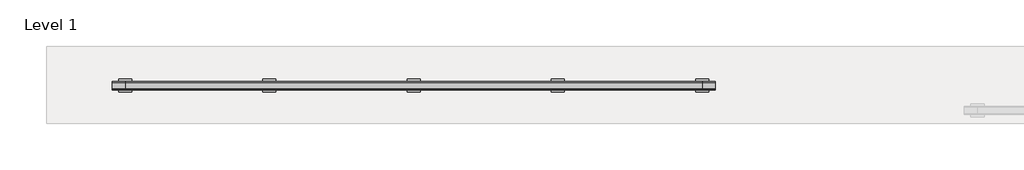
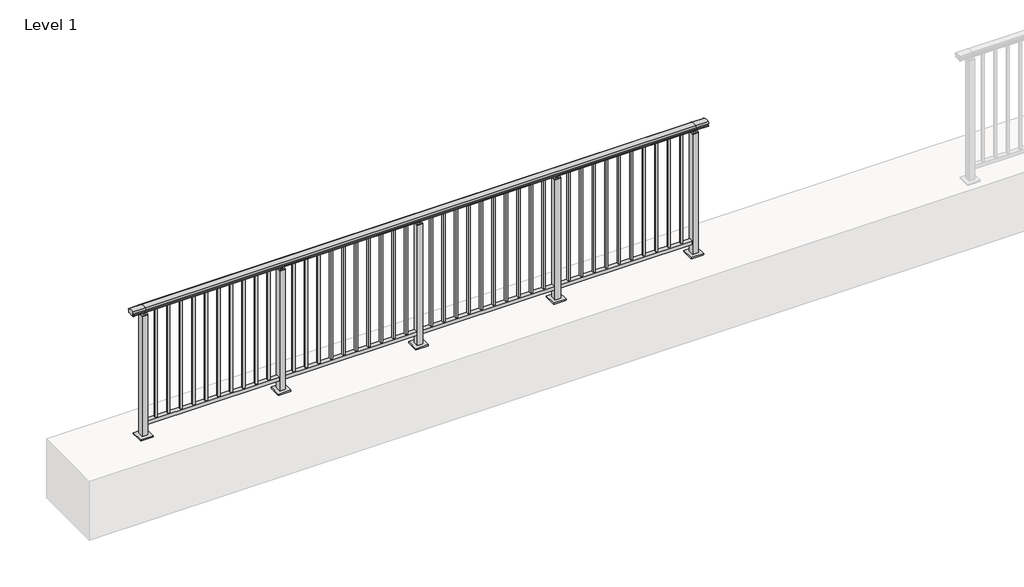
# One storey, part 25 of 64: 1 railing.
"""IFC4 building model written with IfcOpenShell, lengths in millimetres."""

import ifcopenshell
import ifcopenshell.guid

model = None  # the IFC model being written
_history = None  # IfcOwnerHistory: only IFC2X3 demands one
_inside = {}  # id of a spatial element -> (the spatial element, [elements in it])
_under = {}  # id of a project, library or spatial element -> (it, [spatial elements below it])
_declared = {}  # id of a project -> (the project, [libraries it declares])
_typed = {}  # id of a type object -> (the type object, [elements of that type])
_made_of = {}  # id of a material, layer set ... -> (it, [elements and type objects made of it])


def new_model(schema):
    """Start an empty IFC model of exactly this schema.

    Asked for "IFC4X3", IfcOpenShell would pick the latest addendum, in which some entities
    have other attributes; the version numbers below select the first issue.
    IFC2X3 requires an IfcOwnerHistory on every rooted entity: one is made here for all.
    """
    global model, _history
    if schema == "IFC4X3":
        model = ifcopenshell.file(schema_version=(4, 3, 0, 0))
    else:
        model = ifcopenshell.file(schema=schema)
    _inside.clear()
    _under.clear()
    _declared.clear()
    _typed.clear()
    _made_of.clear()
    _history = None
    if model.schema == "IFC2X3":
        org = make("IfcOrganization", Name="unknown")
        user = make(
            "IfcPersonAndOrganization",
            ThePerson=make("IfcPerson", FamilyName="unknown"),
            TheOrganization=org,
        )
        app = make(
            "IfcApplication",
            ApplicationDeveloper=org,
            Version="unknown",
            ApplicationFullName="unknown",
            ApplicationIdentifier="unknown",
        )
        _history = make(
            "IfcOwnerHistory",
            OwningUser=user,
            OwningApplication=app,
            ChangeAction="ADDED",
            CreationDate=0,
        )
    return model


def make(cls, **values):
    """One entity of the class cls with the attributes given. An attribute that is None is left unset."""
    return model.create_entity(
        cls, **{name: value for name, value in values.items() if value is not None}
    )


def rooted(cls, **values):
    """An entity with a GlobalId (a new one), such as an element, a storey or a relation."""
    return make(cls, GlobalId=ifcopenshell.guid.new(), OwnerHistory=_history, **values)


def si_unit(unit_type, name, prefix=None):
    """IfcSIUnit, for example si_unit("LENGTHUNIT", "METRE", prefix="MILLI")."""
    return make("IfcSIUnit", UnitType=unit_type, Prefix=prefix, Name=name)


def assignment(units):
    """IfcUnitAssignment: the units of a project."""
    return None if units is None else make("IfcUnitAssignment", Units=units)


def point(xyz):
    """IfcCartesianPoint."""
    return None if xyz is None else make("IfcCartesianPoint", Coordinates=xyz)


def direction(xyz):
    """IfcDirection."""
    return None if xyz is None else make("IfcDirection", DirectionRatios=xyz)


def frame(location, z_axis=None, x_axis=None):
    """IfcAxis2Placement3D, a coordinate frame: its origin and axes. An axis left out is left unset."""
    return make(
        "IfcAxis2Placement3D",
        Location=point(location),
        Axis=direction(z_axis),
        RefDirection=direction(x_axis),
    )


def origin():
    """The frame at (0, 0, 0) with its axes left unset."""
    return frame((0.0, 0.0, 0.0))


def origin_with_axes():
    """The frame at (0, 0, 0) with the z axis (0, 0, 1) and the x axis (1, 0, 0) written out."""
    return frame((0.0, 0.0, 0.0), z_axis=(0.0, 0.0, 1.0), x_axis=(1.0, 0.0, 0.0))


def place(relative_to, where):
    """IfcLocalPlacement: puts the frame where relative to a parent placement (None: the world)."""
    return make(
        "IfcLocalPlacement", PlacementRelTo=relative_to, RelativePlacement=where
    )


def context(
    kind, dimensions, precision=None, world=None, true_north=None, identifier=None
):
    """IfcGeometricRepresentationContext, for example the 3D "Model" context."""
    return make(
        "IfcGeometricRepresentationContext",
        ContextIdentifier=identifier,
        ContextType=kind,
        CoordinateSpaceDimension=dimensions,
        Precision=precision,
        WorldCoordinateSystem=world,
        TrueNorth=true_north,
    )


def project(units=None, contexts=None):
    """IfcProject with its units and contexts."""
    return rooted(
        "IfcProject",
        Name="project",
        RepresentationContexts=contexts,
        UnitsInContext=assignment(units),
    )


def spatial(cls, under=None, at=None, **own):
    """A site, building, storey or space (cls), placed at a placement, below another one or the project."""
    s = rooted(cls, ObjectPlacement=at, **own)
    if under is not None:
        _under.setdefault(under.id(), (under, []))[1].append(s)
    return s


def polyline(points):
    """IfcPolyline through the points."""
    return make("IfcPolyline", Points=[point(p) for p in points])


def circle_curve(where, radius):
    """IfcCircle in the frame where."""
    return make("IfcCircle", Position=where, Radius=radius)


def outline(outer, holes=None, kind="AREA"):
    """IfcArbitraryClosedProfileDef: a profile drawn as a closed curve; with holes, ...WithVoids."""
    if holes is None:
        return make("IfcArbitraryClosedProfileDef", ProfileType=kind, OuterCurve=outer)
    return make(
        "IfcArbitraryProfileDefWithVoids",
        ProfileType=kind,
        OuterCurve=outer,
        InnerCurves=holes,
    )


def extrude(swept, where, along, depth):
    """IfcExtrudedAreaSolid: the profile swept, set in the frame where, extruded along a direction by depth."""
    return make(
        "IfcExtrudedAreaSolid",
        SweptArea=swept,
        Position=where,
        ExtrudedDirection=direction(along),
        Depth=depth,
    )


def shape(context_of_items, identifier, shape_type, items):
    """IfcShapeRepresentation: the items that make up one representation, for example the "Body"."""
    return make(
        "IfcShapeRepresentation",
        ContextOfItems=context_of_items,
        RepresentationIdentifier=identifier,
        RepresentationType=shape_type,
        Items=items,
    )


def made_of(thing, what):
    """Note that an element or type object is made of a material, layer set ...; save() writes the relation."""
    if what is not None:
        _made_of.setdefault(what.id(), (what, []))[1].append(thing)
    return thing


def element(
    cls,
    number,
    at=None,
    inside=None,
    cuts=None,
    type_object=None,
    material=None,
    context=None,
    identifier="Body",
    shape_type=None,
    held_by="IfcProductDefinitionShape",
    body=None,
    shapes=None,
    **own,
):
    """One element of the class cls, such as IfcWall. Its Tag is "e" and its number.

    at: its placement. inside: the storey or other place that contains it. cuts: it is an
    opening in that element (IfcRelVoidsElement). A single representation is given by context,
    identifier, shape_type and body (its items); several are given by shapes. held_by: the class
    of the entity that holds the representations. save() writes the other relations.
    """
    e = rooted(cls, Tag="e%d" % number, ObjectPlacement=at, **own)
    if body is not None:
        shapes = [shape(context, identifier, shape_type, body)]
    if shapes is not None:
        e.Representation = make(held_by, Representations=shapes)
    if inside is not None:
        _inside.setdefault(inside.id(), (inside, []))[1].append(e)
    if cuts is not None:
        rooted(
            "IfcRelVoidsElement", RelatingBuildingElement=cuts, RelatedOpeningElement=e
        )
    if type_object is not None:
        _typed.setdefault(type_object.id(), (type_object, []))[1].append(e)
    return made_of(e, material)


def aggregate(whole, parts):
    """IfcRelAggregates: a whole, such as a stair, and the parts it consists of."""
    return rooted("IfcRelAggregates", RelatingObject=whole, RelatedObjects=parts)


def save(model, path):
    """Write the relations noted so far, then the file.

    IfcRelAggregates (storeys below a building ...), IfcRelContainedInSpatialStructure (elements
    in a storey), IfcRelDefinesByType, IfcRelAssociatesMaterial and IfcRelDeclares: one each for
    every whole, place, type object, material and project.
    """
    for whole, parts in _under.values():
        aggregate(whole, parts)
    for where, things in _inside.values():
        rooted(
            "IfcRelContainedInSpatialStructure",
            RelatedElements=things,
            RelatingStructure=where,
        )
    for kind, things in _typed.values():
        rooted("IfcRelDefinesByType", RelatedObjects=things, RelatingType=kind)
    for what, things in _made_of.values():
        rooted("IfcRelAssociatesMaterial", RelatedObjects=things, RelatingMaterial=what)
    for by, libraries in _declared.values():
        rooted("IfcRelDeclares", RelatingContext=by, RelatedDefinitions=libraries)
    model.write(path)


def plane_surface(at):
    """IfcPlane: the flat surface through the origin of the frame at, square to its z axis."""
    return make("IfcPlane", Position=at)


def cylinder_surface(at, radius):
    """IfcCylindricalSurface: all points at the distance radius from the z axis of the frame at."""
    return make("IfcCylindricalSurface", Position=at, Radius=radius)


def revolved_surface(curve, axis_point, axis_direction):
    """IfcSurfaceOfRevolution: the curve turned about the line through axis_point along axis_direction."""
    return make(
        "IfcSurfaceOfRevolution",
        SweptCurve=make("IfcArbitraryOpenProfileDef", ProfileType="CURVE", Curve=curve),
        AxisPosition=make("IfcAxis1Placement", Location=point(axis_point), Axis=direction(axis_direction)),
    )


def advanced_brep(points, edges, surfaces, faces):
    """IfcAdvancedBrep: a solid bounded by faces that lie on surfaces and meet in shared edges.

    An edge is (start, end): straight between two places in points (the first is 0);
    or (start, end, curve); or (start, end, curve, False) where it runs against its curve.
    A face is (place in surfaces, loops), or (place, loops, False) where it looks against
    its surface's normal. A loop lists edges by number (the first is 1), with a minus sign
    where the edge is run from its end to its start. The first loop is the outer one.
    """
    corners = [point(p) for p in points]
    vertices = [make("IfcVertexPoint", VertexGeometry=c) for c in corners]
    made = []
    for start, end, *more in edges:
        made.append(
            make(
                "IfcEdgeCurve",
                EdgeStart=vertices[start],
                EdgeEnd=vertices[end],
                EdgeGeometry=more[0] if more else make("IfcPolyline", Points=[corners[start], corners[end]]),
                SameSense=more[1] if len(more) > 1 else True,
            )
        )
    hull = []
    for where, loops, *sense in faces:
        bounds = []
        for j, loop in enumerate(loops):
            ring = [make("IfcOrientedEdge", EdgeElement=made[abs(k) - 1], Orientation=k > 0) for k in loop]
            bounds.append(
                make(
                    "IfcFaceOuterBound" if j == 0 else "IfcFaceBound",
                    Bound=make("IfcEdgeLoop", EdgeList=ring),
                    Orientation=True,
                )
            )
        hull.append(make("IfcAdvancedFace", Bounds=bounds, FaceSurface=surfaces[where], SameSense=sense[0] if sense else True))
    return make("IfcAdvancedBrep", Outer=make("IfcClosedShell", CfsFaces=hull))


model = new_model("IFC4")

# Units and contexts
model_context = context("Model", 3, world=origin())
ifc_project = project(units=[si_unit("LENGTHUNIT", "METRE", prefix="MILLI")], contexts=[model_context])

# Site, building, storey
site = spatial("IfcSite", under=ifc_project)
building = spatial("IfcBuilding", under=site)
storey = spatial("IfcBuildingStorey", under=building, Name="Level 1", Elevation=0.0)

# Railing
placement = place(None, origin())
element("IfcRailing", 1, at=placement, inside=storey, context=model_context, shape_type="SolidModel", body=[
    advanced_brep(
    [(-100.0, 20215.3633756, 1095.6691182), (-100.0, 20220.1846828, 1081.1334092), (-100.0, 20219.2413744, 1069.2539035), (-100.0, 20221.1364177, 1061.4863007), (-100.0, 20219.4894799, 1060.384124), (-100.0, 20219.4894799, 1062.0), (-100.0, 20160.8798858, 1062.0), (-100.0, 20160.8798858, 1060.384124), (-100.0, 20159.232948, 1061.4863007), (-100.0, 20161.1279912, 1069.2539035), (-100.0, 20160.1846828, 1081.1334092), (-100.0, 20165.00599, 1095.6691182), (4500.0, 20215.3633756, 1095.6691182), (4500.0, 20165.00599, 1095.6691182), (4500.0, 20160.1846828, 1081.1334092), (4500.0, 20161.1279912, 1069.2539035), (4500.0, 20159.232948, 1061.4863007), (4500.0, 20160.8798858, 1060.384124), (4500.0, 20160.8798858, 1062.0), (4500.0, 20219.4894799, 1062.0), (4500.0, 20219.4894799, 1060.384124), (4500.0, 20221.1364177, 1061.4863007), (4500.0, 20219.2413744, 1069.2539035), (4500.0, 20220.1846828, 1081.1334092), (0.0, 20215.3633756, 1095.6691182), (0.0, 20220.1846828, 1081.1334092), (0.0, 20219.2413744, 1069.2539035), (0.0, 20221.1364177, 1061.4863007), (0.0, 20219.4894799, 1060.384124), (0.0, 20219.4894799, 1062.0), (0.0, 20160.8798858, 1062.0), (0.0, 20160.8798858, 1060.384124), (0.0, 20159.232948, 1061.4863007), (0.0, 20161.1279912, 1069.2539035), (0.0, 20160.1846828, 1081.1334092), (0.0, 20165.00599, 1095.6691182), (4400.0, 20215.3633756, 1095.6691182), (4400.0, 20220.1846828, 1081.1334092), (4400.0, 20219.2413744, 1069.2539035), (4400.0, 20221.1364177, 1061.4863007), (4400.0, 20219.4894799, 1060.384124), (4400.0, 20219.4894799, 1062.0), (4400.0, 20160.8798858, 1062.0), (4400.0, 20160.8798858, 1060.384124), (4400.0, 20159.232948, 1061.4863007), (4400.0, 20161.1279912, 1069.2539035), (4400.0, 20160.1846828, 1081.1334092), (4400.0, 20165.00599, 1095.6691182)],
    [
        (0, 1, circle_curve(frame((-100.0, 20212.1223845, 1086.526686), z_axis=(-1.0, 0.0, 0.0), x_axis=(0.0, -1.0, 0.0)), 9.6999015)),
        (1, 2, circle_curve(frame((-100.0, 20237.7252545, 1073.7633709), z_axis=(1.0, 0.0, 0.0), x_axis=(0.0, -1.0, 0.0)), 19.0260117)),
        (2, 3),
        (3, 4, circle_curve(frame((-100.0, 20220.2772073, 1060.9886194), z_axis=(-1.0, 0.0, 0.0), x_axis=(0.0, -1.0, 0.0)), 0.9929396)),
        (4, 5),
        (5, 6),
        (6, 7),
        (7, 8, circle_curve(frame((-100.0, 20160.0921584, 1060.9886194), z_axis=(-1.0, 0.0, 0.0), x_axis=(0.0, 1.0, 0.0)), 0.9929396)),
        (8, 9),
        (9, 10, circle_curve(frame((-100.0, 20142.6441111, 1073.7633709), z_axis=(1.0, 0.0, 0.0), x_axis=(0.0, 1.0, 0.0)), 19.0260117)),
        (10, 11, circle_curve(frame((-100.0, 20168.2469812, 1086.526686), z_axis=(-1.0, 0.0, 0.0), x_axis=(0.0, 1.0, 0.0)), 9.6999015)),
        (11, 0, circle_curve(frame((-100.0, 20190.1846828, 1024.6431628), z_axis=(-1.0, 0.0, 0.0), x_axis=(0.0, 1.0, 0.0)), 75.3568372)),
        (12, 13, circle_curve(frame((4500.0, 20190.1846828, 1024.6431628), z_axis=(1.0, 0.0, 0.0), x_axis=(0.0, 1.0, 0.0)), 75.3568372)),
        (13, 14, circle_curve(frame((4500.0, 20168.2469812, 1086.526686), z_axis=(1.0, 0.0, 0.0), x_axis=(0.0, 1.0, 0.0)), 9.6999015)),
        (14, 15, circle_curve(frame((4500.0, 20142.6441111, 1073.7633709), z_axis=(-1.0, 0.0, 0.0), x_axis=(0.0, 1.0, 0.0)), 19.0260117)),
        (15, 16),
        (16, 17, circle_curve(frame((4500.0, 20160.0921584, 1060.9886194), z_axis=(1.0, 0.0, 0.0), x_axis=(0.0, 1.0, 0.0)), 0.9929396)),
        (17, 18),
        (18, 19),
        (19, 20),
        (20, 21, circle_curve(frame((4500.0, 20220.2772073, 1060.9886194), z_axis=(1.0, 0.0, 0.0), x_axis=(0.0, -1.0, 0.0)), 0.9929396)),
        (21, 22),
        (22, 23, circle_curve(frame((4500.0, 20237.7252545, 1073.7633709), z_axis=(-1.0, 0.0, 0.0), x_axis=(0.0, -1.0, 0.0)), 19.0260117)),
        (23, 12, circle_curve(frame((4500.0, 20212.1223845, 1086.526686), z_axis=(1.0, 0.0, 0.0), x_axis=(0.0, -1.0, 0.0)), 9.6999015)),
        (0, 24),
        (24, 25, circle_curve(frame((0.0, 20212.1223845, 1086.526686), z_axis=(-1.0, 0.0, 0.0), x_axis=(0.0, -1.0, 0.0)), 9.6999015)),
        (25, 1),
        (25, 26, circle_curve(frame((0.0, 20237.7252545, 1073.7633709), z_axis=(1.0, 0.0, 0.0), x_axis=(0.0, -1.0, 0.0)), 19.0260117)),
        (26, 2),
        (26, 27),
        (27, 3),
        (27, 28, circle_curve(frame((0.0, 20220.2772073, 1060.9886194), z_axis=(-1.0, 0.0, 0.0), x_axis=(0.0, -1.0, 0.0)), 0.9929396)),
        (28, 4),
        (28, 29),
        (29, 5),
        (29, 30),
        (30, 6),
        (30, 31),
        (31, 7),
        (31, 32, circle_curve(frame((0.0, 20160.0921584, 1060.9886194), z_axis=(-1.0, 0.0, 0.0), x_axis=(0.0, 1.0, 0.0)), 0.9929396)),
        (32, 8),
        (32, 33),
        (33, 9),
        (33, 34, circle_curve(frame((0.0, 20142.6441111, 1073.7633709), z_axis=(1.0, 0.0, 0.0), x_axis=(0.0, 1.0, 0.0)), 19.0260117)),
        (34, 10),
        (34, 35, circle_curve(frame((0.0, 20168.2469812, 1086.526686), z_axis=(-1.0, 0.0, 0.0), x_axis=(0.0, 1.0, 0.0)), 9.6999015)),
        (35, 11),
        (35, 24, circle_curve(frame((0.0, 20190.1846828, 1024.6431628), z_axis=(-1.0, 0.0, 0.0), x_axis=(0.0, 1.0, 0.0)), 75.3568372)),
        (24, 36),
        (36, 37, circle_curve(frame((4400.0, 20212.1223845, 1086.526686), z_axis=(-1.0, 0.0, 0.0), x_axis=(0.0, -1.0, 0.0)), 9.6999015)),
        (37, 25),
        (37, 38, circle_curve(frame((4400.0, 20237.7252545, 1073.7633709), z_axis=(1.0, 0.0, 0.0), x_axis=(0.0, -1.0, 0.0)), 19.0260117)),
        (38, 26),
        (38, 39),
        (39, 27),
        (39, 40, circle_curve(frame((4400.0, 20220.2772073, 1060.9886194), z_axis=(-1.0, 0.0, 0.0), x_axis=(0.0, -1.0, 0.0)), 0.9929396)),
        (40, 28),
        (40, 41),
        (41, 29),
        (41, 42),
        (42, 30),
        (42, 43),
        (43, 31),
        (43, 44, circle_curve(frame((4400.0, 20160.0921584, 1060.9886194), z_axis=(-1.0, 0.0, 0.0), x_axis=(0.0, 1.0, 0.0)), 0.9929396)),
        (44, 32),
        (44, 45),
        (45, 33),
        (45, 46, circle_curve(frame((4400.0, 20142.6441111, 1073.7633709), z_axis=(1.0, 0.0, 0.0), x_axis=(0.0, 1.0, 0.0)), 19.0260117)),
        (46, 34),
        (46, 47, circle_curve(frame((4400.0, 20168.2469812, 1086.526686), z_axis=(-1.0, 0.0, 0.0), x_axis=(0.0, 1.0, 0.0)), 9.6999015)),
        (47, 35),
        (47, 36, circle_curve(frame((4400.0, 20190.1846828, 1024.6431628), z_axis=(-1.0, 0.0, 0.0), x_axis=(0.0, 1.0, 0.0)), 75.3568372)),
        (36, 12),
        (23, 37),
        (22, 38),
        (21, 39),
        (20, 40),
        (19, 41),
        (18, 42),
        (17, 43),
        (16, 44),
        (15, 45),
        (14, 46),
        (13, 47),
    ],
    [
        plane_surface(frame((-100.0, 20190.1846828, 1100.0), z_axis=(-1.0, 0.0, 0.0), x_axis=(0.0, 1.0, 0.0))),
        plane_surface(frame((4500.0, 20190.1846828, 1100.0), z_axis=(1.0, 0.0, 0.0), x_axis=(0.0, 1.0, 0.0))),
        cylinder_surface(frame((-100.0, 20212.1223845, 1086.526686), z_axis=(-1.0, 0.0, 0.0), x_axis=(0.0, -1.0, 0.0)), 9.6999015),
        revolved_surface(polyline([(0.0, 20218.6992428, 1073.7633709), (-100.0, 20218.6992428, 1073.7633709)]), (-100.0, 20237.7252545, 1073.7633709), (1.0, 0.0, 0.0)),
        plane_surface(frame((-100.0, 20219.2413744, 1069.2539035), z_axis=(0.0, 0.9715057689301543, 0.2370159086125439), x_axis=(1.0, 0.0, 0.0))),
        cylinder_surface(frame((-100.0, 20220.2772073, 1060.9886194), z_axis=(-1.0, 0.0, 0.0), x_axis=(0.0, -1.0, 0.0)), 0.9929396),
        plane_surface(frame((-100.0, 20219.4894799, 1060.384124), z_axis=(0.0, -1.0, 0.0), x_axis=(1.0, 0.0, 0.0))),
        plane_surface(frame((-100.0, 20219.4894799, 1062.0), z_axis=(0.0, 0.0, -1.0), x_axis=(1.0, 0.0, 0.0))),
        plane_surface(frame((-100.0, 20160.8798858, 1062.0), z_axis=(0.0, 1.0, 0.0), x_axis=(1.0, 0.0, 0.0))),
        cylinder_surface(frame((-100.0, 20160.0921584, 1060.9886194), z_axis=(-1.0, 0.0, 0.0), x_axis=(0.0, 1.0, 0.0)), 0.9929396),
        plane_surface(frame((-100.0, 20159.232948, 1061.4863007), z_axis=(0.0, -0.9715057689301543, 0.2370159086125439), x_axis=(1.0, 0.0, 0.0))),
        revolved_surface(polyline([(0.0, 20161.6701228, 1073.7633709), (-100.0, 20161.6701228, 1073.7633709)]), (-100.0, 20142.6441111, 1073.7633709), (1.0, 0.0, 0.0)),
        cylinder_surface(frame((-100.0, 20168.2469812, 1086.526686), z_axis=(-1.0, 0.0, 0.0), x_axis=(0.0, 1.0, 0.0)), 9.6999015),
        cylinder_surface(frame((-100.0, 20190.1846828, 1024.6431628), z_axis=(-1.0, 0.0, 0.0), x_axis=(0.0, 1.0, 0.0)), 75.3568372),
        cylinder_surface(frame((0.0, 20212.1223845, 1086.526686), z_axis=(-1.0, 0.0, 0.0), x_axis=(0.0, -1.0, 0.0)), 9.6999015),
        revolved_surface(polyline([(4400.0, 20218.6992428, 1073.7633709), (0.0, 20218.6992428, 1073.7633709)]), (0.0, 20237.7252545, 1073.7633709), (1.0, 0.0, 0.0)),
        plane_surface(frame((0.0, 20219.2413744, 1069.2539035), z_axis=(0.0, 0.9715057689301543, 0.2370159086125439), x_axis=(1.0, 0.0, 0.0))),
        cylinder_surface(frame((0.0, 20220.2772073, 1060.9886194), z_axis=(-1.0, 0.0, 0.0), x_axis=(0.0, -1.0, 0.0)), 0.9929396),
        plane_surface(frame((0.0, 20219.4894799, 1060.384124), z_axis=(0.0, -1.0, 0.0), x_axis=(1.0, 0.0, 0.0))),
        plane_surface(frame((0.0, 20219.4894799, 1062.0), z_axis=(0.0, 0.0, -1.0), x_axis=(1.0, 0.0, 0.0))),
        plane_surface(frame((0.0, 20160.8798858, 1062.0), z_axis=(0.0, 1.0, 0.0), x_axis=(1.0, 0.0, 0.0))),
        cylinder_surface(frame((0.0, 20160.0921584, 1060.9886194), z_axis=(-1.0, 0.0, 0.0), x_axis=(0.0, 1.0, 0.0)), 0.9929396),
        plane_surface(frame((0.0, 20159.232948, 1061.4863007), z_axis=(0.0, -0.9715057689301543, 0.2370159086125439), x_axis=(1.0, 0.0, 0.0))),
        revolved_surface(polyline([(4400.0, 20161.6701228, 1073.7633709), (0.0, 20161.6701228, 1073.7633709)]), (0.0, 20142.6441111, 1073.7633709), (1.0, 0.0, 0.0)),
        cylinder_surface(frame((0.0, 20168.2469812, 1086.526686), z_axis=(-1.0, 0.0, 0.0), x_axis=(0.0, 1.0, 0.0)), 9.6999015),
        cylinder_surface(frame((0.0, 20190.1846828, 1024.6431628), z_axis=(-1.0, 0.0, 0.0), x_axis=(0.0, 1.0, 0.0)), 75.3568372),
        cylinder_surface(frame((4400.0, 20212.1223845, 1086.526686), z_axis=(-1.0, 0.0, 0.0), x_axis=(0.0, -1.0, 0.0)), 9.6999015),
        revolved_surface(polyline([(4500.0, 20218.6992428, 1073.7633709), (4400.0, 20218.6992428, 1073.7633709)]), (4400.0, 20237.7252545, 1073.7633709), (1.0, 0.0, 0.0)),
        plane_surface(frame((4400.0, 20219.2413744, 1069.2539035), z_axis=(0.0, 0.9715057689301543, 0.2370159086125439), x_axis=(1.0, 0.0, 0.0))),
        cylinder_surface(frame((4400.0, 20220.2772073, 1060.9886194), z_axis=(-1.0, 0.0, 0.0), x_axis=(0.0, -1.0, 0.0)), 0.9929396),
        plane_surface(frame((4400.0, 20219.4894799, 1060.384124), z_axis=(0.0, -1.0, 0.0), x_axis=(1.0, 0.0, 0.0))),
        plane_surface(frame((4400.0, 20219.4894799, 1062.0), z_axis=(0.0, 0.0, -1.0), x_axis=(1.0, 0.0, 0.0))),
        plane_surface(frame((4400.0, 20160.8798858, 1062.0), z_axis=(0.0, 1.0, 0.0), x_axis=(1.0, 0.0, 0.0))),
        cylinder_surface(frame((4400.0, 20160.0921584, 1060.9886194), z_axis=(-1.0, 0.0, 0.0), x_axis=(0.0, 1.0, 0.0)), 0.9929396),
        plane_surface(frame((4400.0, 20159.232948, 1061.4863007), z_axis=(0.0, -0.9715057689301543, 0.2370159086125439), x_axis=(1.0, 0.0, 0.0))),
        revolved_surface(polyline([(4500.0, 20161.6701228, 1073.7633709), (4400.0, 20161.6701228, 1073.7633709)]), (4400.0, 20142.6441111, 1073.7633709), (1.0, 0.0, 0.0)),
        cylinder_surface(frame((4400.0, 20168.2469812, 1086.526686), z_axis=(-1.0, 0.0, 0.0), x_axis=(0.0, 1.0, 0.0)), 9.6999015),
        cylinder_surface(frame((4400.0, 20190.1846828, 1024.6431628), z_axis=(-1.0, 0.0, 0.0), x_axis=(0.0, 1.0, 0.0)), 75.3568372),
    ],
    [
        (0, [[1, 2, 3, 4, 5, 6, 7, 8, 9, 10, 11, 12]]),
        (1, [[13, 14, 15, 16, 17, 18, 19, 20, 21, 22, 23, 24]]),
        (2, [[-1, 25, 26, 27]]),
        (3, [[-2, -27, 28, 29]]),
        (4, [[-3, -29, 30, 31]]),
        (5, [[-4, -31, 32, 33]]),
        (6, [[-5, -33, 34, 35]]),
        (7, [[-6, -35, 36, 37]]),
        (8, [[-7, -37, 38, 39]]),
        (9, [[-8, -39, 40, 41]]),
        (10, [[-9, -41, 42, 43]]),
        (11, [[-10, -43, 44, 45]]),
        (12, [[-11, -45, 46, 47]]),
        (13, [[-12, -47, 48, -25]]),
        (14, [[-26, 49, 50, 51]]),
        (15, [[-28, -51, 52, 53]]),
        (16, [[-30, -53, 54, 55]]),
        (17, [[-32, -55, 56, 57]]),
        (18, [[-34, -57, 58, 59]]),
        (19, [[-36, -59, 60, 61]]),
        (20, [[-38, -61, 62, 63]]),
        (21, [[-40, -63, 64, 65]]),
        (22, [[-42, -65, 66, 67]]),
        (23, [[-44, -67, 68, 69]]),
        (24, [[-46, -69, 70, 71]]),
        (25, [[-48, -71, 72, -49]]),
        (26, [[-50, 73, -24, 74]]),
        (27, [[-52, -74, -23, 75]]),
        (28, [[-54, -75, -22, 76]]),
        (29, [[-56, -76, -21, 77]]),
        (30, [[-58, -77, -20, 78]]),
        (31, [[-60, -78, -19, 79]]),
        (32, [[-62, -79, -18, 80]]),
        (33, [[-64, -80, -17, 81]]),
        (34, [[-66, -81, -16, 82]]),
        (35, [[-68, -82, -15, 83]]),
        (36, [[-70, -83, -14, 84]]),
        (37, [[-72, -84, -13, -73]]),
    ],
),
    extrude(outline(polyline([(0.0, 20172.6846828), (0.0, 20207.6846828), (4400.0, 20207.6846828), (4400.0, 20172.6846828), (0.0, 20172.6846828)])), frame((0.0, 0.0, 95.0), z_axis=(0.0, 0.0, 1.0), x_axis=(1.0, 0.0, 0.0)), (0.0, 0.0, 1.0), 30.0),
    extrude(outline(polyline([(4308.5, 20198.6846828), (4308.5, 20181.6846828), (4291.5, 20181.6846828), (4291.5, 20198.6846828), (4308.5, 20198.6846828)])), frame((0.0, 0.0, 125.0), z_axis=(0.0, 0.0, 1.0), x_axis=(1.0, 0.0, 0.0)), (0.0, 0.0, 1.0), 930.0),
    extrude(outline(polyline([(4208.5, 20198.6846828), (4208.5, 20181.6846828), (4191.5, 20181.6846828), (4191.5, 20198.6846828), (4208.5, 20198.6846828)])), frame((0.0, 0.0, 125.0), z_axis=(0.0, 0.0, 1.0), x_axis=(1.0, 0.0, 0.0)), (0.0, 0.0, 1.0), 930.0),
    extrude(outline(polyline([(4108.5, 20198.6846828), (4108.5, 20181.6846828), (4091.5, 20181.6846828), (4091.5, 20198.6846828), (4108.5, 20198.6846828)])), frame((0.0, 0.0, 125.0), z_axis=(0.0, 0.0, 1.0), x_axis=(1.0, 0.0, 0.0)), (0.0, 0.0, 1.0), 930.0),
    extrude(outline(polyline([(4008.5, 20198.6846828), (4008.5, 20181.6846828), (3991.5, 20181.6846828), (3991.5, 20198.6846828), (4008.5, 20198.6846828)])), frame((0.0, 0.0, 125.0), z_axis=(0.0, 0.0, 1.0), x_axis=(1.0, 0.0, 0.0)), (0.0, 0.0, 1.0), 930.0),
    extrude(outline(polyline([(3908.5, 20198.6846828), (3908.5, 20181.6846828), (3891.5, 20181.6846828), (3891.5, 20198.6846828), (3908.5, 20198.6846828)])), frame((0.0, 0.0, 125.0), z_axis=(0.0, 0.0, 1.0), x_axis=(1.0, 0.0, 0.0)), (0.0, 0.0, 1.0), 930.0),
    extrude(outline(polyline([(3808.5, 20198.6846828), (3808.5, 20181.6846828), (3791.5, 20181.6846828), (3791.5, 20198.6846828), (3808.5, 20198.6846828)])), frame((0.0, 0.0, 125.0), z_axis=(0.0, 0.0, 1.0), x_axis=(1.0, 0.0, 0.0)), (0.0, 0.0, 1.0), 930.0),
    extrude(outline(polyline([(3708.5, 20198.6846828), (3708.5, 20181.6846828), (3691.5, 20181.6846828), (3691.5, 20198.6846828), (3708.5, 20198.6846828)])), frame((0.0, 0.0, 125.0), z_axis=(0.0, 0.0, 1.0), x_axis=(1.0, 0.0, 0.0)), (0.0, 0.0, 1.0), 930.0),
    extrude(outline(polyline([(3608.5, 20198.6846828), (3608.5, 20181.6846828), (3591.5, 20181.6846828), (3591.5, 20198.6846828), (3608.5, 20198.6846828)])), frame((0.0, 0.0, 125.0), z_axis=(0.0, 0.0, 1.0), x_axis=(1.0, 0.0, 0.0)), (0.0, 0.0, 1.0), 930.0),
    extrude(outline(polyline([(3508.5, 20198.6846828), (3508.5, 20181.6846828), (3491.5, 20181.6846828), (3491.5, 20198.6846828), (3508.5, 20198.6846828)])), frame((0.0, 0.0, 125.0), z_axis=(0.0, 0.0, 1.0), x_axis=(1.0, 0.0, 0.0)), (0.0, 0.0, 1.0), 930.0),
    extrude(outline(polyline([(3408.5, 20198.6846828), (3408.5, 20181.6846828), (3391.5, 20181.6846828), (3391.5, 20198.6846828), (3408.5, 20198.6846828)])), frame((0.0, 0.0, 125.0), z_axis=(0.0, 0.0, 1.0), x_axis=(1.0, 0.0, 0.0)), (0.0, 0.0, 1.0), 930.0),
    extrude(outline(polyline([(3310.0, 20180.1846828), (3290.0, 20180.1846828), (3290.0, 20200.1846828), (3310.0, 20200.1846828), (3310.0, 20180.1846828)])), frame((0.0, 0.0, 1035.0), z_axis=(0.0, 0.0, 1.0), x_axis=(1.0, 0.0, 0.0)), (0.0, 0.0, 1.0), 20.0),
    extrude(outline(polyline([(3322.5, 20167.6846828), (3277.5, 20167.6846828), (3277.5, 20212.6846828), (3322.5, 20212.6846828), (3322.5, 20167.6846828)])), frame((0.0, 0.0, 1027.0), z_axis=(0.0, 0.0, 1.0), x_axis=(1.0, 0.0, 0.0)), (0.0, 0.0, 1.0), 8.0),
    extrude(outline(polyline([(3350.0, 20140.1846828), (3250.0, 20140.1846828), (3250.0, 20240.1846828), (3350.0, 20240.1846828), (3350.0, 20140.1846828)])), origin_with_axes(), (0.0, 0.0, 1.0), 12.0),
    extrude(outline(polyline([(3322.5, 20167.6846828), (3277.5, 20167.6846828), (3277.5, 20212.6846828), (3322.5, 20212.6846828), (3322.5, 20167.6846828)])), frame((0.0, 0.0, 12.0), z_axis=(0.0, 0.0, 1.0), x_axis=(1.0, 0.0, 0.0)), (0.0, 0.0, 1.0), 1015.0),
    extrude(outline(polyline([(3208.5, 20198.6846828), (3208.5, 20181.6846828), (3191.5, 20181.6846828), (3191.5, 20198.6846828), (3208.5, 20198.6846828)])), frame((0.0, 0.0, 125.0), z_axis=(0.0, 0.0, 1.0), x_axis=(1.0, 0.0, 0.0)), (0.0, 0.0, 1.0), 930.0),
    extrude(outline(polyline([(3108.5, 20198.6846828), (3108.5, 20181.6846828), (3091.5, 20181.6846828), (3091.5, 20198.6846828), (3108.5, 20198.6846828)])), frame((0.0, 0.0, 125.0), z_axis=(0.0, 0.0, 1.0), x_axis=(1.0, 0.0, 0.0)), (0.0, 0.0, 1.0), 930.0),
    extrude(outline(polyline([(3008.5, 20198.6846828), (3008.5, 20181.6846828), (2991.5, 20181.6846828), (2991.5, 20198.6846828), (3008.5, 20198.6846828)])), frame((0.0, 0.0, 125.0), z_axis=(0.0, 0.0, 1.0), x_axis=(1.0, 0.0, 0.0)), (0.0, 0.0, 1.0), 930.0),
    extrude(outline(polyline([(2908.5, 20198.6846828), (2908.5, 20181.6846828), (2891.5, 20181.6846828), (2891.5, 20198.6846828), (2908.5, 20198.6846828)])), frame((0.0, 0.0, 125.0), z_axis=(0.0, 0.0, 1.0), x_axis=(1.0, 0.0, 0.0)), (0.0, 0.0, 1.0), 930.0),
    extrude(outline(polyline([(2808.5, 20198.6846828), (2808.5, 20181.6846828), (2791.5, 20181.6846828), (2791.5, 20198.6846828), (2808.5, 20198.6846828)])), frame((0.0, 0.0, 125.0), z_axis=(0.0, 0.0, 1.0), x_axis=(1.0, 0.0, 0.0)), (0.0, 0.0, 1.0), 930.0),
    extrude(outline(polyline([(2708.5, 20198.6846828), (2708.5, 20181.6846828), (2691.5, 20181.6846828), (2691.5, 20198.6846828), (2708.5, 20198.6846828)])), frame((0.0, 0.0, 125.0), z_axis=(0.0, 0.0, 1.0), x_axis=(1.0, 0.0, 0.0)), (0.0, 0.0, 1.0), 930.0),
    extrude(outline(polyline([(2608.5, 20198.6846828), (2608.5, 20181.6846828), (2591.5, 20181.6846828), (2591.5, 20198.6846828), (2608.5, 20198.6846828)])), frame((0.0, 0.0, 125.0), z_axis=(0.0, 0.0, 1.0), x_axis=(1.0, 0.0, 0.0)), (0.0, 0.0, 1.0), 930.0),
    extrude(outline(polyline([(2508.5, 20198.6846828), (2508.5, 20181.6846828), (2491.5, 20181.6846828), (2491.5, 20198.6846828), (2508.5, 20198.6846828)])), frame((0.0, 0.0, 125.0), z_axis=(0.0, 0.0, 1.0), x_axis=(1.0, 0.0, 0.0)), (0.0, 0.0, 1.0), 930.0),
    extrude(outline(polyline([(2408.5, 20198.6846828), (2408.5, 20181.6846828), (2391.5, 20181.6846828), (2391.5, 20198.6846828), (2408.5, 20198.6846828)])), frame((0.0, 0.0, 125.0), z_axis=(0.0, 0.0, 1.0), x_axis=(1.0, 0.0, 0.0)), (0.0, 0.0, 1.0), 930.0),
    extrude(outline(polyline([(2308.5, 20198.6846828), (2308.5, 20181.6846828), (2291.5, 20181.6846828), (2291.5, 20198.6846828), (2308.5, 20198.6846828)])), frame((0.0, 0.0, 125.0), z_axis=(0.0, 0.0, 1.0), x_axis=(1.0, 0.0, 0.0)), (0.0, 0.0, 1.0), 930.0),
    extrude(outline(polyline([(2210.0, 20180.1846828), (2190.0, 20180.1846828), (2190.0, 20200.1846828), (2210.0, 20200.1846828), (2210.0, 20180.1846828)])), frame((0.0, 0.0, 1035.0), z_axis=(0.0, 0.0, 1.0), x_axis=(1.0, 0.0, 0.0)), (0.0, 0.0, 1.0), 20.0),
    extrude(outline(polyline([(2222.5, 20167.6846828), (2177.5, 20167.6846828), (2177.5, 20212.6846828), (2222.5, 20212.6846828), (2222.5, 20167.6846828)])), frame((0.0, 0.0, 1027.0), z_axis=(0.0, 0.0, 1.0), x_axis=(1.0, 0.0, 0.0)), (0.0, 0.0, 1.0), 8.0),
    extrude(outline(polyline([(2250.0, 20140.1846828), (2150.0, 20140.1846828), (2150.0, 20240.1846828), (2250.0, 20240.1846828), (2250.0, 20140.1846828)])), origin_with_axes(), (0.0, 0.0, 1.0), 12.0),
    extrude(outline(polyline([(2222.5, 20167.6846828), (2177.5, 20167.6846828), (2177.5, 20212.6846828), (2222.5, 20212.6846828), (2222.5, 20167.6846828)])), frame((0.0, 0.0, 12.0), z_axis=(0.0, 0.0, 1.0), x_axis=(1.0, 0.0, 0.0)), (0.0, 0.0, 1.0), 1015.0),
    extrude(outline(polyline([(2108.5, 20198.6846828), (2108.5, 20181.6846828), (2091.5, 20181.6846828), (2091.5, 20198.6846828), (2108.5, 20198.6846828)])), frame((0.0, 0.0, 125.0), z_axis=(0.0, 0.0, 1.0), x_axis=(1.0, 0.0, 0.0)), (0.0, 0.0, 1.0), 930.0),
    extrude(outline(polyline([(2008.5, 20198.6846828), (2008.5, 20181.6846828), (1991.5, 20181.6846828), (1991.5, 20198.6846828), (2008.5, 20198.6846828)])), frame((0.0, 0.0, 125.0), z_axis=(0.0, 0.0, 1.0), x_axis=(1.0, 0.0, 0.0)), (0.0, 0.0, 1.0), 930.0),
    extrude(outline(polyline([(1908.5, 20198.6846828), (1908.5, 20181.6846828), (1891.5, 20181.6846828), (1891.5, 20198.6846828), (1908.5, 20198.6846828)])), frame((0.0, 0.0, 125.0), z_axis=(0.0, 0.0, 1.0), x_axis=(1.0, 0.0, 0.0)), (0.0, 0.0, 1.0), 930.0),
    extrude(outline(polyline([(1808.5, 20198.6846828), (1808.5, 20181.6846828), (1791.5, 20181.6846828), (1791.5, 20198.6846828), (1808.5, 20198.6846828)])), frame((0.0, 0.0, 125.0), z_axis=(0.0, 0.0, 1.0), x_axis=(1.0, 0.0, 0.0)), (0.0, 0.0, 1.0), 930.0),
    extrude(outline(polyline([(1708.5, 20198.6846828), (1708.5, 20181.6846828), (1691.5, 20181.6846828), (1691.5, 20198.6846828), (1708.5, 20198.6846828)])), frame((0.0, 0.0, 125.0), z_axis=(0.0, 0.0, 1.0), x_axis=(1.0, 0.0, 0.0)), (0.0, 0.0, 1.0), 930.0),
    extrude(outline(polyline([(1608.5, 20198.6846828), (1608.5, 20181.6846828), (1591.5, 20181.6846828), (1591.5, 20198.6846828), (1608.5, 20198.6846828)])), frame((0.0, 0.0, 125.0), z_axis=(0.0, 0.0, 1.0), x_axis=(1.0, 0.0, 0.0)), (0.0, 0.0, 1.0), 930.0),
    extrude(outline(polyline([(1508.5, 20198.6846828), (1508.5, 20181.6846828), (1491.5, 20181.6846828), (1491.5, 20198.6846828), (1508.5, 20198.6846828)])), frame((0.0, 0.0, 125.0), z_axis=(0.0, 0.0, 1.0), x_axis=(1.0, 0.0, 0.0)), (0.0, 0.0, 1.0), 930.0),
    extrude(outline(polyline([(1408.5, 20198.6846828), (1408.5, 20181.6846828), (1391.5, 20181.6846828), (1391.5, 20198.6846828), (1408.5, 20198.6846828)])), frame((0.0, 0.0, 125.0), z_axis=(0.0, 0.0, 1.0), x_axis=(1.0, 0.0, 0.0)), (0.0, 0.0, 1.0), 930.0),
    extrude(outline(polyline([(1308.5, 20198.6846828), (1308.5, 20181.6846828), (1291.5, 20181.6846828), (1291.5, 20198.6846828), (1308.5, 20198.6846828)])), frame((0.0, 0.0, 125.0), z_axis=(0.0, 0.0, 1.0), x_axis=(1.0, 0.0, 0.0)), (0.0, 0.0, 1.0), 930.0),
    extrude(outline(polyline([(1208.5, 20198.6846828), (1208.5, 20181.6846828), (1191.5, 20181.6846828), (1191.5, 20198.6846828), (1208.5, 20198.6846828)])), frame((0.0, 0.0, 125.0), z_axis=(0.0, 0.0, 1.0), x_axis=(1.0, 0.0, 0.0)), (0.0, 0.0, 1.0), 930.0),
    extrude(outline(polyline([(1110.0, 20180.1846828), (1090.0, 20180.1846828), (1090.0, 20200.1846828), (1110.0, 20200.1846828), (1110.0, 20180.1846828)])), frame((0.0, 0.0, 1035.0), z_axis=(0.0, 0.0, 1.0), x_axis=(1.0, 0.0, 0.0)), (0.0, 0.0, 1.0), 20.0),
    extrude(outline(polyline([(1122.5, 20167.6846828), (1077.5, 20167.6846828), (1077.5, 20212.6846828), (1122.5, 20212.6846828), (1122.5, 20167.6846828)])), frame((0.0, 0.0, 1027.0), z_axis=(0.0, 0.0, 1.0), x_axis=(1.0, 0.0, 0.0)), (0.0, 0.0, 1.0), 8.0),
    extrude(outline(polyline([(1150.0, 20140.1846828), (1050.0, 20140.1846828), (1050.0, 20240.1846828), (1150.0, 20240.1846828), (1150.0, 20140.1846828)])), origin_with_axes(), (0.0, 0.0, 1.0), 12.0),
    extrude(outline(polyline([(1122.5, 20167.6846828), (1077.5, 20167.6846828), (1077.5, 20212.6846828), (1122.5, 20212.6846828), (1122.5, 20167.6846828)])), frame((0.0, 0.0, 12.0), z_axis=(0.0, 0.0, 1.0), x_axis=(1.0, 0.0, 0.0)), (0.0, 0.0, 1.0), 1015.0),
    extrude(outline(polyline([(1008.5, 20198.6846828), (1008.5, 20181.6846828), (991.5, 20181.6846828), (991.5, 20198.6846828), (1008.5, 20198.6846828)])), frame((0.0, 0.0, 125.0), z_axis=(0.0, 0.0, 1.0), x_axis=(1.0, 0.0, 0.0)), (0.0, 0.0, 1.0), 930.0),
    extrude(outline(polyline([(908.5, 20198.6846828), (908.5, 20181.6846828), (891.5, 20181.6846828), (891.5, 20198.6846828), (908.5, 20198.6846828)])), frame((0.0, 0.0, 125.0), z_axis=(0.0, 0.0, 1.0), x_axis=(1.0, 0.0, 0.0)), (0.0, 0.0, 1.0), 930.0),
    extrude(outline(polyline([(808.5, 20198.6846828), (808.5, 20181.6846828), (791.5, 20181.6846828), (791.5, 20198.6846828), (808.5, 20198.6846828)])), frame((0.0, 0.0, 125.0), z_axis=(0.0, 0.0, 1.0), x_axis=(1.0, 0.0, 0.0)), (0.0, 0.0, 1.0), 930.0),
    extrude(outline(polyline([(708.5, 20198.6846828), (708.5, 20181.6846828), (691.5, 20181.6846828), (691.5, 20198.6846828), (708.5, 20198.6846828)])), frame((0.0, 0.0, 125.0), z_axis=(0.0, 0.0, 1.0), x_axis=(1.0, 0.0, 0.0)), (0.0, 0.0, 1.0), 930.0),
    extrude(outline(polyline([(608.5, 20198.6846828), (608.5, 20181.6846828), (591.5, 20181.6846828), (591.5, 20198.6846828), (608.5, 20198.6846828)])), frame((0.0, 0.0, 125.0), z_axis=(0.0, 0.0, 1.0), x_axis=(1.0, 0.0, 0.0)), (0.0, 0.0, 1.0), 930.0),
    extrude(outline(polyline([(508.5, 20198.6846828), (508.5, 20181.6846828), (491.5, 20181.6846828), (491.5, 20198.6846828), (508.5, 20198.6846828)])), frame((0.0, 0.0, 125.0), z_axis=(0.0, 0.0, 1.0), x_axis=(1.0, 0.0, 0.0)), (0.0, 0.0, 1.0), 930.0),
    extrude(outline(polyline([(408.5, 20198.6846828), (408.5, 20181.6846828), (391.5, 20181.6846828), (391.5, 20198.6846828), (408.5, 20198.6846828)])), frame((0.0, 0.0, 125.0), z_axis=(0.0, 0.0, 1.0), x_axis=(1.0, 0.0, 0.0)), (0.0, 0.0, 1.0), 930.0),
    extrude(outline(polyline([(308.5, 20198.6846828), (308.5, 20181.6846828), (291.5, 20181.6846828), (291.5, 20198.6846828), (308.5, 20198.6846828)])), frame((0.0, 0.0, 125.0), z_axis=(0.0, 0.0, 1.0), x_axis=(1.0, 0.0, 0.0)), (0.0, 0.0, 1.0), 930.0),
    extrude(outline(polyline([(208.5, 20198.6846828), (208.5, 20181.6846828), (191.5, 20181.6846828), (191.5, 20198.6846828), (208.5, 20198.6846828)])), frame((0.0, 0.0, 125.0), z_axis=(0.0, 0.0, 1.0), x_axis=(1.0, 0.0, 0.0)), (0.0, 0.0, 1.0), 930.0),
    extrude(outline(polyline([(108.5, 20198.6846828), (108.5, 20181.6846828), (91.5, 20181.6846828), (91.5, 20198.6846828), (108.5, 20198.6846828)])), frame((0.0, 0.0, 125.0), z_axis=(0.0, 0.0, 1.0), x_axis=(1.0, 0.0, 0.0)), (0.0, 0.0, 1.0), 930.0),
    extrude(outline(polyline([(4410.0, 20180.1846828), (4390.0, 20180.1846828), (4390.0, 20200.1846828), (4410.0, 20200.1846828), (4410.0, 20180.1846828)])), frame((0.0, 0.0, 1035.0), z_axis=(0.0, 0.0, 1.0), x_axis=(1.0, 0.0, 0.0)), (0.0, 0.0, 1.0), 20.0),
    extrude(outline(polyline([(4422.5, 20167.6846828), (4377.5, 20167.6846828), (4377.5, 20212.6846828), (4422.5, 20212.6846828), (4422.5, 20167.6846828)])), frame((0.0, 0.0, 1027.0), z_axis=(0.0, 0.0, 1.0), x_axis=(1.0, 0.0, 0.0)), (0.0, 0.0, 1.0), 8.0),
    extrude(outline(polyline([(4450.0, 20140.1846828), (4350.0, 20140.1846828), (4350.0, 20240.1846828), (4450.0, 20240.1846828), (4450.0, 20140.1846828)])), origin_with_axes(), (0.0, 0.0, 1.0), 12.0),
    extrude(outline(polyline([(4422.5, 20167.6846828), (4377.5, 20167.6846828), (4377.5, 20212.6846828), (4422.5, 20212.6846828), (4422.5, 20167.6846828)])), frame((0.0, 0.0, 12.0), z_axis=(0.0, 0.0, 1.0), x_axis=(1.0, 0.0, 0.0)), (0.0, 0.0, 1.0), 1015.0),
    extrude(outline(polyline([(10.0, 20180.1846828), (-10.0, 20180.1846828), (-10.0, 20200.1846828), (10.0, 20200.1846828), (10.0, 20180.1846828)])), frame((0.0, 0.0, 1035.0), z_axis=(0.0, 0.0, 1.0), x_axis=(1.0, 0.0, 0.0)), (0.0, 0.0, 1.0), 20.0),
    extrude(outline(polyline([(22.5, 20167.6846828), (-22.5, 20167.6846828), (-22.5, 20212.6846828), (22.5, 20212.6846828), (22.5, 20167.6846828)])), frame((0.0, 0.0, 1027.0), z_axis=(0.0, 0.0, 1.0), x_axis=(1.0, 0.0, 0.0)), (0.0, 0.0, 1.0), 8.0),
    extrude(outline(polyline([(50.0, 20140.1846828), (-50.0, 20140.1846828), (-50.0, 20240.1846828), (50.0, 20240.1846828), (50.0, 20140.1846828)])), origin_with_axes(), (0.0, 0.0, 1.0), 12.0),
    extrude(outline(polyline([(22.5, 20167.6846828), (-22.5, 20167.6846828), (-22.5, 20212.6846828), (22.5, 20212.6846828), (22.5, 20167.6846828)])), frame((0.0, 0.0, 12.0), z_axis=(0.0, 0.0, 1.0), x_axis=(1.0, 0.0, 0.0)), (0.0, 0.0, 1.0), 1015.0),
])

save(model, "model.ifc")
